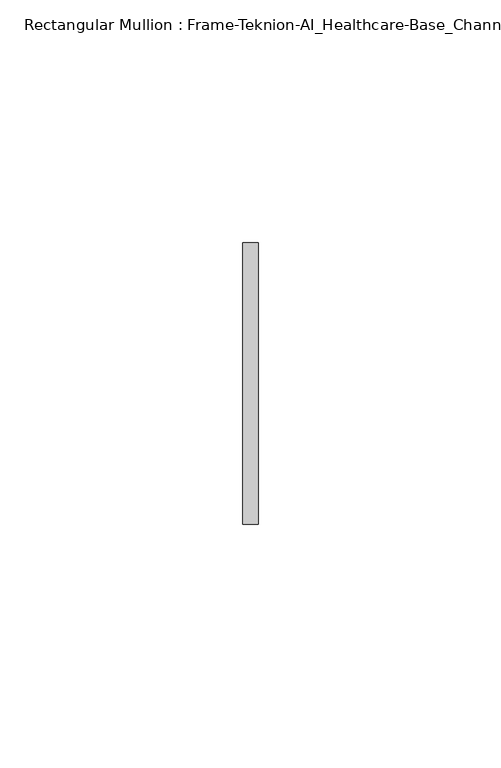
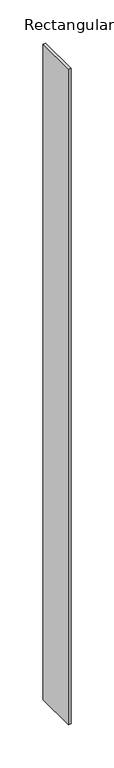
"""IFC4 building model written with IfcOpenShell, lengths in millimetres: member geometry, Rectangular Mullion : Frame-Teknion-AI_Healthcare-Base_Channel."""

from ifc_helpers import new_model, si_unit, frame, origin, place, context, project, spatial, polyline, outline, extrude, source, transform, mapped, element, save


def rectangular_mullion_frame_teknion_ai_healthcare_base_channel_9b4465f6(model_context):
    return source(origin(), model_context, "Body", "SweptSolid", [
        extrude(outline(polyline([(0.0, 29.0214844), (0.0, -29.0214844), (-3.175, -29.0214844), (-3.175, 29.0214844), (0.0, 29.0214844)])), frame((0.0, 0.0, -920.9092012), z_axis=(0.0, 0.0, 1.0), x_axis=(1.0, 0.0, 0.0)), (0.0, 0.0, 1.0), 920.9092012),
    ])


if __name__ == "__main__":
    model = new_model("IFC4")
    model_context = context("Model", 3, world=origin())
    ifc_project = project(units=[si_unit("LENGTHUNIT", "METRE", prefix="MILLI")], contexts=[model_context])
    site = spatial("IfcSite", under=ifc_project)
    building = spatial("IfcBuilding", under=site)
    placement = place(None, origin())
    rectangular_mullion_frame_teknion_ai_healthcare_base_channel_shape = rectangular_mullion_frame_teknion_ai_healthcare_base_channel_9b4465f6(model_context)
    element("IfcMember", 1, ObjectType="Rectangular Mullion : Frame-Teknion-AI_Healthcare-Base_Channel", at=placement, inside=building, context=model_context, shape_type="MappedRepresentation", body=[
        mapped(rectangular_mullion_frame_teknion_ai_healthcare_base_channel_shape, transform((0.0, 0.0, 0.0), x_axis=(1.0, 0.0, 0.0), y_axis=(0.0, 1.0, 0.0), z_axis=(0.0, 0.0, 1.0))),
    ])
    save(model, "model.ifc")
